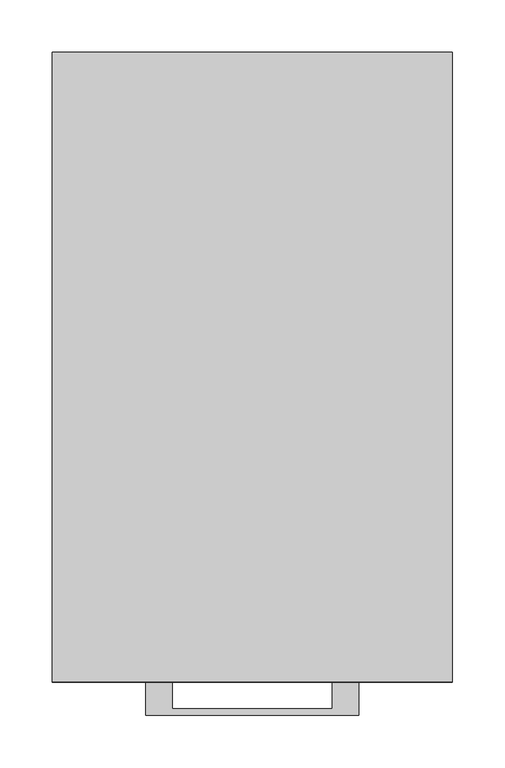
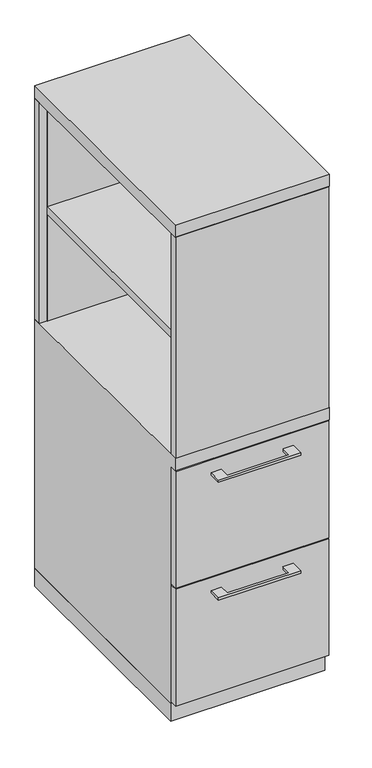
"""IFC4 building model written with IfcOpenShell, lengths in millimetres: furniture geometry."""

from ifc_helpers import new_model, si_unit, frame, origin, origin_with_axes, place, context, project, spatial, polyline, outline, extrude, faceted_brep, source, transform, mapped, element, save


def furniture_4df27294(model_context):
    return source(origin(), model_context, "Body", "SolidModel", [
        extrude(outline(polyline([(171.45, -581.025), (-171.45, -581.025), (-171.45, -19.05), (171.45, -19.05), (171.45, -581.025)])), frame((0.0, 0.0, 977.9), z_axis=(0.0, 0.0, 1.0), x_axis=(1.0, 0.0, 0.0)), (0.0, 0.0, 1.0), 19.05),
        extrude(outline(polyline([(-76.1999818, -600.075), (-76.1999818, -625.4749758), (76.2, -625.4749758), (76.2, -600.075), (101.5999939, -600.075), (101.5999939, -631.8249879), (-101.5999939, -631.8249879), (-101.5999939, -600.075), (-76.1999818, -600.075)])), frame((0.0, 0.0, 623.8875506), z_axis=(0.0, 0.0, 1.0), x_axis=(1.0, 0.0, 0.0)), (0.0, 0.0, 1.0), 6.3499758),
        extrude(outline(polyline([(188.9125, -581.025), (188.9125, -600.075), (-188.9125, -600.075), (-188.9125, -581.025), (188.9125, -581.025)])), frame((0.0, 0.0, 358.775), z_axis=(0.0, 0.0, 1.0), x_axis=(1.0, 0.0, 0.0)), (0.0, 0.0, 1.0), 304.8),
        extrude(outline(polyline([(-76.1999818, -600.075), (-76.1999818, -625.4749758), (76.2, -625.4749758), (76.2, -600.075), (101.5999939, -600.075), (101.5999939, -631.8249879), (-101.5999939, -631.8249879), (-101.5999939, -600.075), (-76.1999818, -600.075)])), frame((0.0, 0.0, 315.9125506), z_axis=(0.0, 0.0, 1.0), x_axis=(1.0, 0.0, 0.0)), (0.0, 0.0, 1.0), 6.3499758),
        extrude(outline(polyline([(188.9125, -581.025), (188.9125, -600.075), (-188.9125, -600.075), (-188.9125, -581.025), (188.9125, -581.025)])), frame((0.0, 0.0, 50.8), z_axis=(0.0, 0.0, 1.0), x_axis=(1.0, 0.0, 0.0)), (0.0, 0.0, 1.0), 304.8),
        extrude(outline(polyline([(188.9125, -581.025), (188.9125, -600.075), (-188.9125, -600.075), (-188.9125, -581.025), (188.9125, -581.025)])), frame((0.0, 0.0, 698.5), z_axis=(0.0, 0.0, 1.0), x_axis=(1.0, 0.0, 0.0)), (0.0, 0.0, 1.0), 577.85),
        extrude(outline(polyline([(171.45, -19.05), (-171.45, -19.05), (-171.45, 0.0), (171.45, 0.0), (171.45, -19.05)])), frame((0.0, 0.0, 47.625), z_axis=(0.0, 0.0, 1.0), x_axis=(1.0, 0.0, 0.0)), (0.0, 0.0, 1.0), 1228.725),
        faceted_brep([(-171.45, 0.0, 698.5), (-190.5, 0.0, 698.5), (-190.5, -600.075, 698.5), (190.5, -600.075, 698.5), (190.5, 0.0, 698.5), (171.45, 0.0, 698.5), (171.45, -19.05, 698.5), (-171.45, -19.05, 698.5), (-171.45, 0.0, 47.625), (-171.45, -581.025, 47.625), (-190.5, -581.025, 47.625), (-190.5, 0.0, 47.625), (-190.5, -581.025, 666.75), (-190.5, -600.075, 666.75), (-171.45, -581.025, 666.75), (-171.45, -19.05, 666.75), (190.5, -600.075, 666.75), (171.45, -19.05, 666.75), (171.45, -581.025, 666.75), (190.5, -581.025, 666.75), (190.5, -581.025, 47.625), (190.5, 0.0, 47.625), (171.45, -581.025, 47.625), (171.45, 0.0, 47.625)], [[[0, 1, 2, 3, 4, 5, 6, 7]], [[8, 9, 10, 11]], [[1, 0, 8, 11]], [[11, 10, 12, 13, 2, 1]], [[10, 9, 14, 12]], [[9, 8, 0, 7, 15, 14]], [[16, 13, 12, 14, 15, 17, 18, 19]], [[15, 7, 6, 17]], [[3, 2, 13, 16]], [[4, 3, 16, 19, 20, 21]], [[21, 20, 22, 23]], [[5, 4, 21, 23]], [[23, 22, 18, 17, 6, 5]], [[22, 20, 19, 18]]]),
        extrude(outline(polyline([(-171.45, 0.0), (-171.45, -19.05), (-190.5, -19.05), (-190.5, 0.0), (-171.45, 0.0)])), frame((0.0, 0.0, 698.5), z_axis=(0.0, 0.0, 1.0), x_axis=(1.0, 0.0, 0.0)), (0.0, 0.0, 1.0), 577.85),
        extrude(outline(polyline([(190.5, -581.025), (171.45, -581.025), (171.45, 0.0), (190.5, 0.0), (190.5, -581.025)])), frame((0.0, 0.0, 698.5), z_axis=(0.0, 0.0, 1.0), x_axis=(1.0, 0.0, 0.0)), (0.0, 0.0, 1.0), 577.85),
        extrude(outline(polyline([(190.5, 0.0), (190.5, -600.075), (-190.5, -600.075), (-190.5, 0.0), (190.5, 0.0)])), frame((0.0, 0.0, 1276.35), z_axis=(0.0, 0.0, 1.0), x_axis=(1.0, 0.0, 0.0)), (0.0, 0.0, 1.0), 31.75),
        extrude(outline(polyline([(190.5, 0.0), (190.5, -581.025), (-190.5, -581.025), (-190.5, 0.0), (190.5, 0.0)])), origin_with_axes(), (0.0, 0.0, 1.0), 47.625),
    ])


if __name__ == "__main__":
    model = new_model("IFC4")
    model_context = context("Model", 3, world=origin())
    ifc_project = project(units=[si_unit("LENGTHUNIT", "METRE", prefix="MILLI")], contexts=[model_context])
    site = spatial("IfcSite", under=ifc_project)
    building = spatial("IfcBuilding", under=site)
    placement = place(None, origin())
    furniture_shape = furniture_4df27294(model_context)
    element("IfcFurniture", 1, at=placement, inside=building, context=model_context, shape_type="MappedRepresentation", body=[
        mapped(furniture_shape, transform((0.0, 0.0, 0.0), x_axis=(1.0, 0.0, 0.0), y_axis=(0.0, 1.0, 0.0), z_axis=(0.0, 0.0, 1.0))),
    ])
    save(model, "model.ifc")
